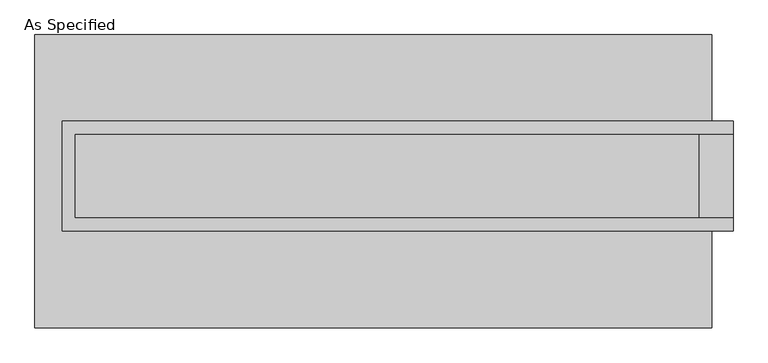
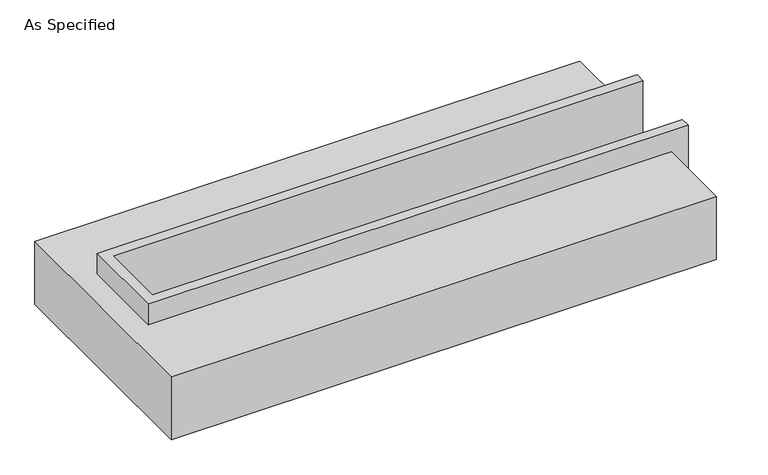
"""IFC4 building model written with IfcOpenShell, lengths in millimetres: proxy geometry, As Specified."""

from ifc_helpers import new_model, si_unit, origin, place, context, project, spatial, faceted_brep, source, transform, mapped, element, save


def as_specified_a206d265(model_context):
    return source(origin(), model_context, "Body", "Brep", [
        faceted_brep([(-1873.25, 361.95, 139.7), (-1873.25, 361.95, -393.7), (-1873.25, 285.75, -393.7), (-1873.25, 285.75, -25.4), (-1873.25, -222.25, -25.4), (-1873.25, -222.25, -393.7), (-1873.25, -298.45, -393.7), (-1873.25, -298.45, 139.7), (2165.35, 285.75, 139.7), (2165.35, 285.75, -317.5), (2165.35, -222.25, -317.5), (2165.35, -222.25, 139.7), (2165.35, -298.45, 139.7), (2165.35, -298.45, -393.7), (2165.35, 361.95, -393.7), (2165.35, 361.95, 139.7), (-1797.05, -222.25, 139.7), (-1797.05, 285.75, 139.7), (1962.15, -222.25, -393.7), (1962.15, 285.75, -393.7), (1962.15, -222.25, -317.5), (-1797.05, -222.25, -25.4), (1962.15, 285.75, -317.5), (-1797.05, 285.75, -25.4)], [[[0, 1, 2, 3, 4, 5, 6, 7]], [[8, 9, 10, 11, 12, 13, 14, 15]], [[0, 7, 12, 11, 16, 17, 8, 15]], [[1, 0, 15, 14]], [[14, 13, 6, 5, 18, 19, 2, 1]], [[7, 6, 13, 12]], [[11, 10, 20, 18, 5, 4, 21, 16]], [[10, 9, 22, 20]], [[9, 8, 17, 23, 3, 2, 19, 22]], [[18, 20, 22, 19]], [[23, 21, 4, 3]], [[17, 16, 21, 23]]]),
        faceted_brep([(-2038.35, 882.65, -523.9742188), (2038.35, 882.65, -523.9742188), (2038.35, -882.65, -523.9742188), (-2038.35, -882.65, -523.9742188), (2038.35, 882.65, -25.4), (-2038.35, 882.65, -25.4), (-2038.35, -882.65, -25.4), (2038.35, -882.65, -25.4), (2038.35, -298.45, -25.4), (-1873.25, -298.45, -25.4), (-1873.25, 361.95, -25.4), (2038.35, 361.95, -25.4), (2038.35, 361.95, -393.7), (2038.35, -298.45, -393.7), (-1873.25, -298.45, -393.7), (-1873.25, 361.95, -393.7)], [[[0, 1, 2, 3]], [[4, 5, 6, 7, 8, 9, 10, 11]], [[1, 0, 5, 4]], [[5, 0, 3, 6]], [[1, 4, 11, 12, 13, 8, 7, 2]], [[3, 2, 7, 6]], [[14, 15, 10, 9]], [[10, 15, 12, 11]], [[15, 14, 13, 12]], [[14, 9, 8, 13]]]),
    ])


if __name__ == "__main__":
    model = new_model("IFC4")
    model_context = context("Model", 3, world=origin())
    ifc_project = project(units=[si_unit("LENGTHUNIT", "METRE", prefix="MILLI")], contexts=[model_context])
    site = spatial("IfcSite", under=ifc_project)
    building = spatial("IfcBuilding", under=site)
    placement = place(None, origin())
    as_specified_shape = as_specified_a206d265(model_context)
    element("IfcBuildingElementProxy", 1, Name="As Specified", ObjectType="As Specified", at=placement, inside=building, context=model_context, shape_type="MappedRepresentation", body=[
        mapped(as_specified_shape, transform((0.0, 0.0, 0.0), x_axis=(1.0, 0.0, 0.0), y_axis=(0.0, 1.0, 0.0), z_axis=(0.0, 0.0, 1.0))),
    ])
    save(model, "model.ifc")
